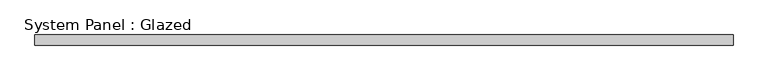
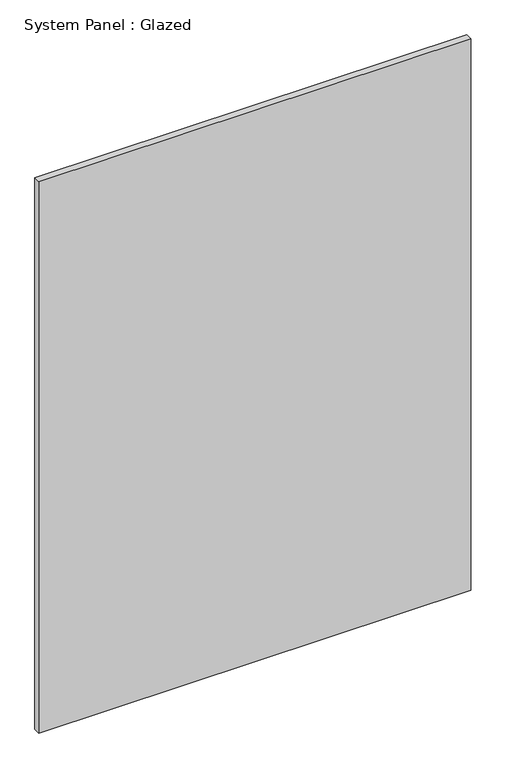
"""IFC4 building model written with IfcOpenShell, lengths in millimetres: plate geometry, System Panel : Glazed."""

from ifc_helpers import new_model, si_unit, origin, origin_with_axes, place, context, project, spatial, polyline, outline, extrude, source, transform, mapped, element, save


def system_panel_glazed_3f7db837(model_context):
    return source(origin(), model_context, "Body", "SweptSolid", [
        extrude(outline(polyline([(826.5, 24.5), (-826.5, 24.5), (-826.5, 49.5), (826.5, 49.5), (826.5, 24.5)])), origin_with_axes(), (0.0, 0.0, 1.0), 2230.4277428),
    ])


if __name__ == "__main__":
    model = new_model("IFC4")
    model_context = context("Model", 3, world=origin())
    ifc_project = project(units=[si_unit("LENGTHUNIT", "METRE", prefix="MILLI")], contexts=[model_context])
    site = spatial("IfcSite", under=ifc_project)
    building = spatial("IfcBuilding", under=site)
    placement = place(None, origin())
    system_panel_glazed_shape = system_panel_glazed_3f7db837(model_context)
    element("IfcPlate", 1, ObjectType="System Panel : Glazed", at=placement, inside=building, context=model_context, shape_type="MappedRepresentation", body=[
        mapped(system_panel_glazed_shape, transform((0.0, 0.0, 0.0), x_axis=(1.0, 0.0, 0.0), y_axis=(0.0, 1.0, 0.0), z_axis=(0.0, 0.0, 1.0))),
    ])
    save(model, "model.ifc")
